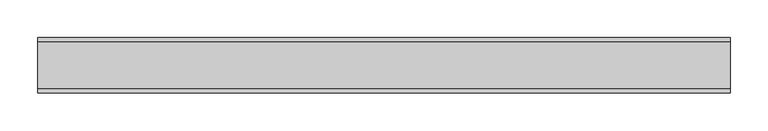
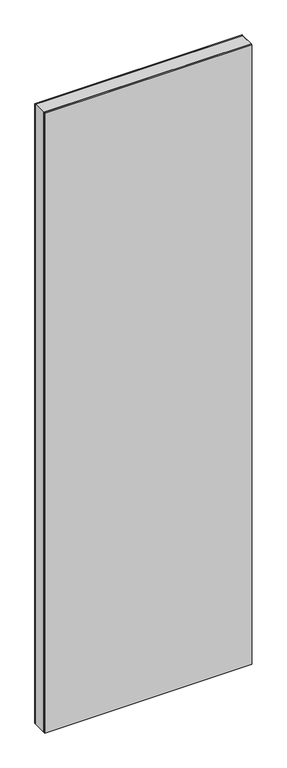
"""IFC4 building model written with IfcOpenShell, lengths in millimetres: plate geometry."""

from ifc_helpers import new_model, si_unit, frame, origin, origin_with_axes, place, context, project, spatial, polyline, outline, extrude, source, transform, mapped, element, save


def plate_e3442a8c(model_context):
    return source(origin(), model_context, "Body", "SweptSolid", [
        extrude(outline(polyline([(2915.0, -460.9186914), (0.0, -460.9186914), (0.0, 460.9186914), (2915.0, 460.9186914), (2915.0, -460.9186914)]), holes=[polyline([(2914.0, -459.9186914), (2914.0, 459.9186914), (1.0, 459.9186914), (1.0, -459.9186914), (2914.0, -459.9186914)])]), frame((0.0, -31.2, 0.0), z_axis=(0.0, 1.0, 0.0), x_axis=(0.0, 0.0, 1.0)), (0.0, 0.0, 1.0), 62.4),
        extrude(outline(polyline([(460.9186914, 31.2), (-460.9186914, 31.2), (-460.9186914, 37.2), (460.9186914, 37.2), (460.9186914, 31.2)])), origin_with_axes(), (0.0, 0.0, 1.0), 2915.0),
        extrude(outline(polyline([(-460.9186914, -37.2), (-460.9186914, -31.2), (460.9186914, -31.2), (460.9186914, -37.2), (-460.9186914, -37.2)])), origin_with_axes(), (0.0, 0.0, 1.0), 2915.0),
    ])


if __name__ == "__main__":
    model = new_model("IFC4")
    model_context = context("Model", 3, world=origin())
    ifc_project = project(units=[si_unit("LENGTHUNIT", "METRE", prefix="MILLI")], contexts=[model_context])
    site = spatial("IfcSite", under=ifc_project)
    building = spatial("IfcBuilding", under=site)
    placement = place(None, origin())
    plate_shape = plate_e3442a8c(model_context)
    element("IfcPlate", 1, at=placement, inside=building, context=model_context, shape_type="MappedRepresentation", body=[
        mapped(plate_shape, transform((0.0, 0.0, 0.0), x_axis=(1.0, 0.0, 0.0), y_axis=(0.0, 1.0, 0.0), z_axis=(0.0, 0.0, 1.0))),
    ])
    save(model, "model.ifc")
